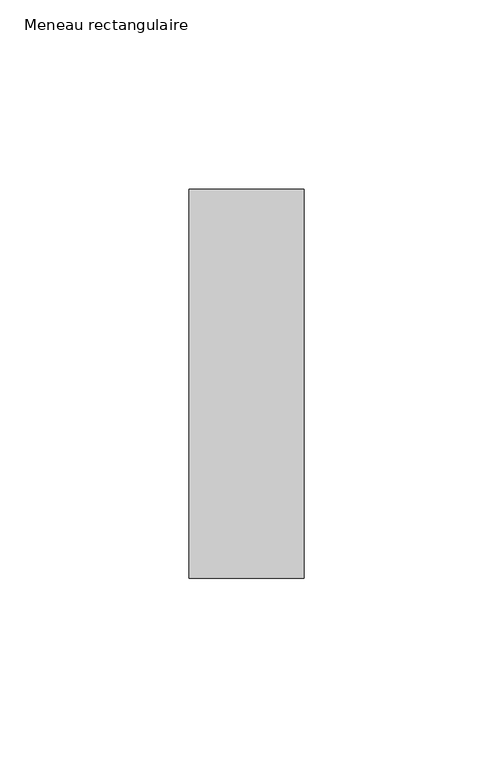
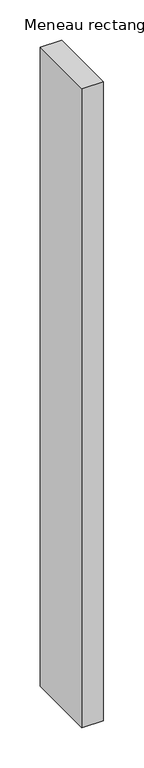
"""IFC4 building model written with IfcOpenShell, lengths in millimetres: member geometry, Meneau rectangulaire."""

from ifc_helpers import new_model, si_unit, frame, origin, place, context, project, spatial, polyline, outline, extrude, source, transform, mapped, element, save


def meneau_rectangulaire_0fb026fa(model_context):
    return source(origin(), model_context, "Body", "SweptSolid", [
        extrude(outline(polyline([(-15.25, 51.4150874), (15.25, 51.4150874), (15.25, -51.5849126), (-15.25, -51.5849126), (-15.25, 51.4150874)])), frame((0.0, 0.0, -966.9289604), z_axis=(0.0, 0.0, 1.0), x_axis=(1.0, 0.0, 0.0)), (0.0, 0.0, 1.0), 966.9289604),
    ])


if __name__ == "__main__":
    model = new_model("IFC4")
    model_context = context("Model", 3, world=origin())
    ifc_project = project(units=[si_unit("LENGTHUNIT", "METRE", prefix="MILLI")], contexts=[model_context])
    site = spatial("IfcSite", under=ifc_project)
    building = spatial("IfcBuilding", under=site)
    placement = place(None, origin())
    meneau_rectangulaire_shape = meneau_rectangulaire_0fb026fa(model_context)
    element("IfcMember", 1, ObjectType="Meneau rectangulaire", at=placement, inside=building, context=model_context, shape_type="MappedRepresentation", body=[
        mapped(meneau_rectangulaire_shape, transform((0.0, 0.0, 0.0), x_axis=(1.0, 0.0, 0.0), y_axis=(0.0, 1.0, 0.0), z_axis=(0.0, 0.0, 1.0))),
    ])
    save(model, "model.ifc")
